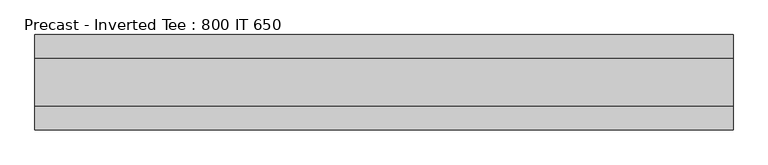
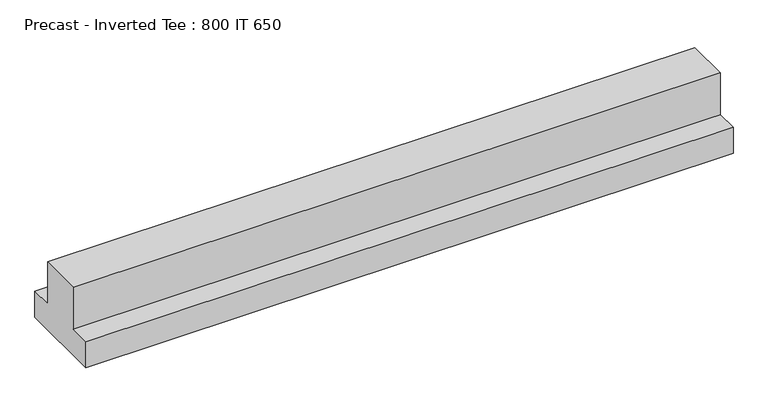
"""IFC4 building model written with IfcOpenShell, lengths in millimetres: beam geometry, Precast - Inverted Tee : 800 IT 650."""

from ifc_helpers import new_model, si_unit, frame, origin, place, context, project, spatial, polyline, outline, extrude, source, transform, mapped, element, save


def precast_inverted_tee_800_it_650_bd29b969(model_context):
    return source(origin(), model_context, "Body", "SweptSolid", [
        extrude(outline(polyline([(400.0, -325.0), (-400.0, -325.0), (-400.0, -75.0), (-200.0, -75.0), (-200.0, 325.0), (200.0, 325.0), (200.0, -75.0), (400.0, -75.0), (400.0, -325.0)])), frame((-3080.0, 0.0, 0.0), z_axis=(1.0, 0.0, 0.0), x_axis=(0.0, 1.0, 0.0)), (0.0, 0.0, 1.0), 5860.0),
    ])


if __name__ == "__main__":
    model = new_model("IFC4")
    model_context = context("Model", 3, world=origin())
    ifc_project = project(units=[si_unit("LENGTHUNIT", "METRE", prefix="MILLI")], contexts=[model_context])
    site = spatial("IfcSite", under=ifc_project)
    building = spatial("IfcBuilding", under=site)
    placement = place(None, origin())
    precast_inverted_tee_800_it_650_shape = precast_inverted_tee_800_it_650_bd29b969(model_context)
    element("IfcBeam", 1, ObjectType="Precast - Inverted Tee : 800 IT 650", at=placement, inside=building, context=model_context, shape_type="MappedRepresentation", body=[
        mapped(precast_inverted_tee_800_it_650_shape, transform((0.0, 0.0, 0.0), x_axis=(1.0, 0.0, 0.0), y_axis=(0.0, 1.0, 0.0), z_axis=(0.0, 0.0, 1.0))),
    ])
    save(model, "model.ifc")
